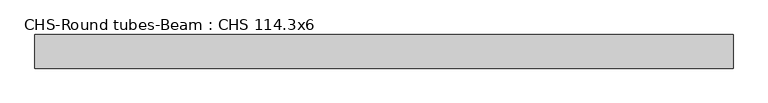
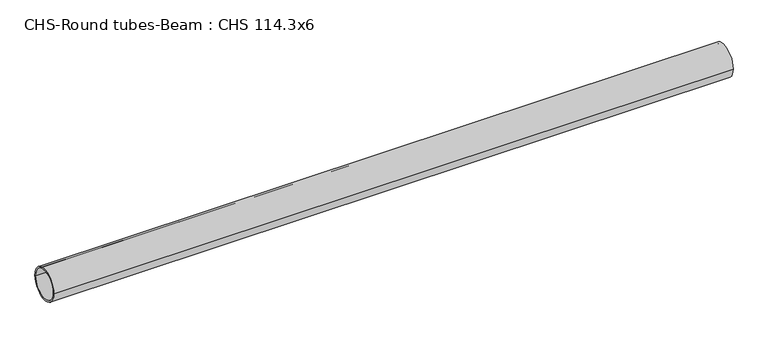
"""IFC4 building model written with IfcOpenShell, lengths in millimetres: beam geometry, CHS-Round tubes-Beam : CHS 114.3x6."""

from ifc_helpers import new_model, si_unit, point, frame, origin, origin_2d, place, context, project, spatial, circle_curve, trimmed, segment, composite_curve, outline, extrude, source, transform, mapped, element, save


def chs_round_tubes_beam_chs_114_3x6_b73ed4e5(model_context):
    return source(origin(), model_context, "Body", "SweptSolid", [
        extrude(outline(composite_curve([segment(trimmed(circle_curve(origin_2d(), 57.15), [point((57.15, 0.0))], [point((-57.15, 0.0))], False, "CARTESIAN"), True, "CONTINUOUS"), segment(trimmed(circle_curve(origin_2d(), 57.15), [point((-57.15, 0.0))], [point((57.15, 0.0))], False, "CARTESIAN"), True, "CONTINUOUS")], self_intersect=False), holes=[composite_curve([segment(trimmed(circle_curve(origin_2d(), 51.15), [point((51.15, 0.0))], [point((-51.15, 0.0))], True, "CARTESIAN"), True, "CONTINUOUS"), segment(trimmed(circle_curve(origin_2d(), 51.15), [point((-51.15, 0.0))], [point((51.15, 0.0))], True, "CARTESIAN"), True, "CONTINUOUS")], self_intersect=False)]), frame((-1135.7366014, 0.0, 0.0), z_axis=(1.0, 0.0, 0.0), x_axis=(0.0, 1.0, 0.0)), (0.0, 0.0, 1.0), 2374.5230464),
    ])


if __name__ == "__main__":
    model = new_model("IFC4")
    model_context = context("Model", 3, world=origin())
    ifc_project = project(units=[si_unit("LENGTHUNIT", "METRE", prefix="MILLI")], contexts=[model_context])
    site = spatial("IfcSite", under=ifc_project)
    building = spatial("IfcBuilding", under=site)
    placement = place(None, origin())
    chs_round_tubes_beam_chs_114_3x6_shape = chs_round_tubes_beam_chs_114_3x6_b73ed4e5(model_context)
    element("IfcBeam", 1, ObjectType="CHS-Round tubes-Beam : CHS 114.3x6", at=placement, inside=building, context=model_context, shape_type="MappedRepresentation", body=[
        mapped(chs_round_tubes_beam_chs_114_3x6_shape, transform((0.0, 0.0, 0.0), x_axis=(1.0, 0.0, 0.0), y_axis=(0.0, 1.0, 0.0), z_axis=(0.0, 0.0, 1.0))),
    ])
    save(model, "model.ifc")
